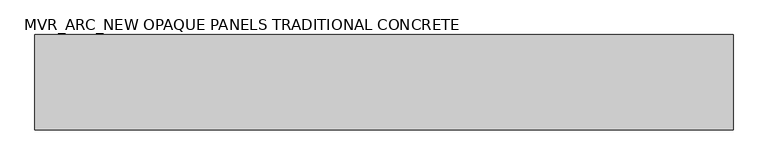
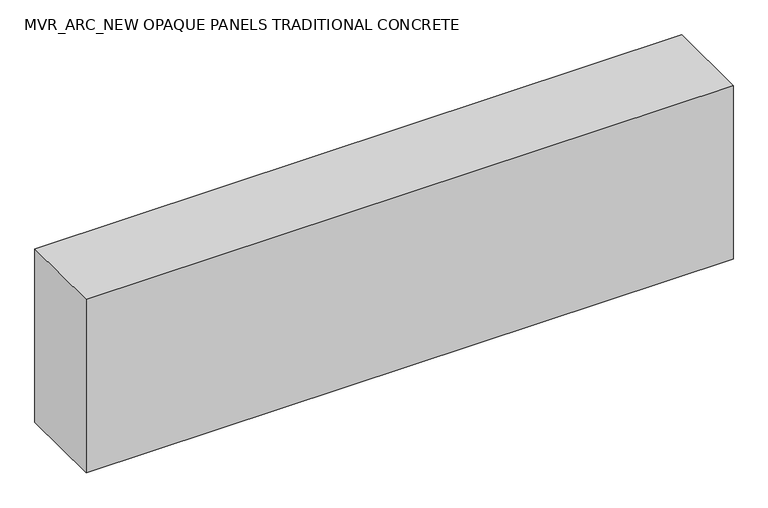
"""IFC4 building model written with IfcOpenShell, lengths in millimetres: plate geometry, MVR_ARC_NEW OPAQUE PANELS TRADITIONAL CONCRETE."""

from ifc_helpers import new_model, si_unit, origin, origin_with_axes, place, context, project, spatial, polyline, outline, extrude, source, transform, mapped, element, save


def mvr_arc_new_opaque_panels_traditional_concrete_4b5d8884(model_context):
    return source(origin(), model_context, "Body", "SweptSolid", [
        extrude(outline(polyline([(766.93598, -150.0), (-766.93598, -150.0), (-766.93598, 60.0), (766.93598, 60.0), (766.93598, -150.0)])), origin_with_axes(), (0.0, 0.0, 1.0), 434.4),
    ])


if __name__ == "__main__":
    model = new_model("IFC4")
    model_context = context("Model", 3, world=origin())
    ifc_project = project(units=[si_unit("LENGTHUNIT", "METRE", prefix="MILLI")], contexts=[model_context])
    site = spatial("IfcSite", under=ifc_project)
    building = spatial("IfcBuilding", under=site)
    placement = place(None, origin())
    mvr_arc_new_opaque_panels_traditional_concrete_shape = mvr_arc_new_opaque_panels_traditional_concrete_4b5d8884(model_context)
    element("IfcPlate", 1, ObjectType="MVR_ARC_NEW OPAQUE PANELS TRADITIONAL CONCRETE", at=placement, inside=building, context=model_context, shape_type="MappedRepresentation", body=[
        mapped(mvr_arc_new_opaque_panels_traditional_concrete_shape, transform((0.0, 0.0, 0.0), x_axis=(1.0, 0.0, 0.0), y_axis=(0.0, 1.0, 0.0), z_axis=(0.0, 0.0, 1.0))),
    ])
    save(model, "model.ifc")
